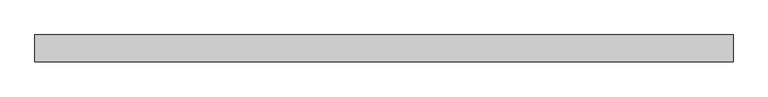
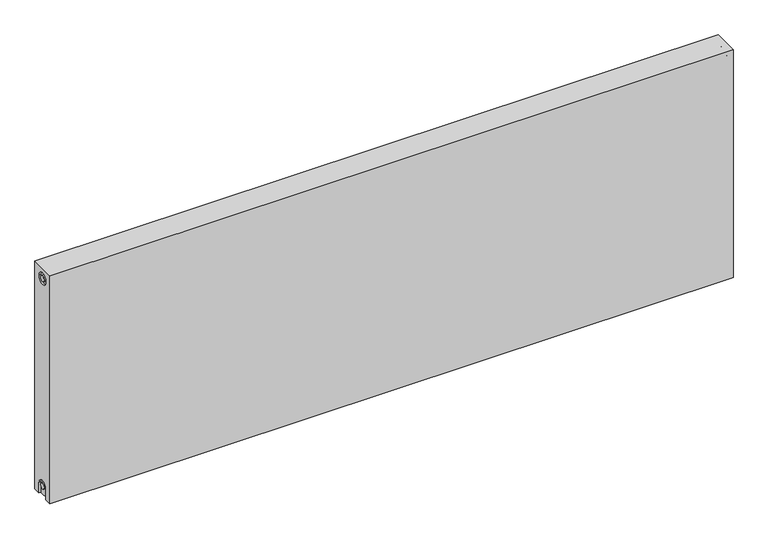
"""IFC4 building model written with IfcOpenShell, lengths in millimetres: proxy geometry."""

from ifc_helpers import new_model, si_unit, frame, origin, place, context, project, spatial, polyline, circle_curve, source, transform, mapped, element, save
from ifc_brep_helpers import plane_surface, cylinder_surface, revolved_surface, advanced_brep


def mechanical_equipment_97d7b4c4(model_context):
    return source(origin(), model_context, "Body", "AdvancedBrep", [
        advanced_brep(
        [(1700.0, 32.5, 600.0), (1700.0, 32.5, 0.0), (0.0, 32.5, 0.0), (0.0, 32.5, 600.0), (1700.0, -32.5, 600.0), (0.0, -32.5, 600.0), (0.0, -32.5, 0.0), (1700.0, -32.5, 0.0), (1700.0, -14.65, 0.0), (1700.0, -14.65, 27.0), (1700.0, 15.35, 27.0), (1700.0, 15.35, 0.0), (1700.0, 14.7242393, 573.0), (1700.0, -15.2757607, 573.0), (1700.0, -7.5, 27.0), (1700.0, 7.5, 27.0), (1700.0, 7.2242393, 573.0), (1700.0, -7.7757607, 573.0), (1695.0, 15.35, 0.0), (1695.0, -14.65, 0.0), (0.0, -15.0, 0.0), (5.0, -15.0, 0.0), (5.0, 15.0, 0.0), (0.0, 15.0, 0.0), (0.0, 15.0, 27.0), (0.0, -15.0, 27.0), (0.0, -15.2757607, 573.0), (0.0, 14.7242393, 573.0), (0.0, -7.7757607, 573.0), (0.0, 7.2242393, 573.0), (0.0, 7.5682726, 27.0), (0.0, -7.4317274, 27.0), (5.0, -15.2757607, 573.0), (5.0, 14.7242393, 573.0), (5.0, -7.7757607, 573.0), (5.0, 7.2242393, 573.0), (5.0, -15.0, 27.0), (5.0, 15.0, 27.0), (5.0, -7.4317274, 27.0), (5.0, 7.5682726, 27.0), (1695.0, 15.35, 27.0), (1695.0, -14.65, 27.0), (1695.0, -7.5, 27.0), (1695.0, 7.5, 27.0), (1695.0, -15.2757607, 573.0), (1695.0, 14.7242393, 573.0), (1695.0, -7.7757607, 573.0), (1695.0, 7.2242393, 573.0)],
        [
            (0, 1),
            (1, 2),
            (2, 3),
            (3, 0),
            (4, 5),
            (5, 6),
            (6, 7),
            (7, 4),
            (0, 4),
            (7, 8),
            (8, 9),
            (9, 10, circle_curve(frame((1700.0, 0.35, 27.0), z_axis=(-1.0, 0.0, 0.0), x_axis=(0.0, 1.0, 0.0)), 15.0)),
            (10, 11),
            (11, 1),
            (12, 13, circle_curve(frame((1700.0, -0.2757607, 573.0), z_axis=(-1.0, 0.0, 0.0), x_axis=(0.0, 1.0, 0.0)), 15.0)),
            (13, 12, circle_curve(frame((1700.0, -0.2757607, 573.0), z_axis=(-1.0, 0.0, 0.0), x_axis=(0.0, 1.0, 0.0)), 15.0)),
            (14, 15, circle_curve(frame((1700.0, 0.0, 27.0), z_axis=(1.0, 0.0, 0.0), x_axis=(0.0, 1.0, 0.0)), 7.5)),
            (15, 14, circle_curve(frame((1700.0, 0.0, 27.0), z_axis=(1.0, 0.0, 0.0), x_axis=(0.0, 1.0, 0.0)), 7.5)),
            (16, 17, circle_curve(frame((1700.0, -0.2757607, 573.0), z_axis=(1.0, 0.0, 0.0), x_axis=(0.0, 1.0, 0.0)), 7.5)),
            (17, 16, circle_curve(frame((1700.0, -0.2757607, 573.0), z_axis=(1.0, 0.0, 0.0), x_axis=(0.0, 1.0, 0.0)), 7.5)),
            (11, 18),
            (18, 19),
            (19, 8),
            (6, 20),
            (20, 21),
            (21, 22),
            (22, 23),
            (23, 2),
            (23, 24),
            (24, 25, circle_curve(frame((0.0, 0.0, 27.0), z_axis=(1.0, 0.0, 0.0), x_axis=(0.0, 1.0, 0.0)), 15.0)),
            (25, 20),
            (5, 3),
            (26, 27, circle_curve(frame((0.0, -0.2757607, 573.0), z_axis=(1.0, 0.0, 0.0), x_axis=(0.0, 1.0, 0.0)), 15.0)),
            (27, 26, circle_curve(frame((0.0, -0.2757607, 573.0), z_axis=(1.0, 0.0, 0.0), x_axis=(0.0, 1.0, 0.0)), 15.0)),
            (28, 29, circle_curve(frame((0.0, -0.2757607, 573.0), z_axis=(-1.0, 0.0, 0.0), x_axis=(0.0, 1.0, 0.0)), 7.5)),
            (29, 28, circle_curve(frame((0.0, -0.2757607, 573.0), z_axis=(-1.0, 0.0, 0.0), x_axis=(0.0, 1.0, 0.0)), 7.5)),
            (30, 31, circle_curve(frame((0.0, 0.0682726, 27.0), z_axis=(-1.0, 0.0, 0.0), x_axis=(0.0, 1.0, 0.0)), 7.5)),
            (31, 30, circle_curve(frame((0.0, 0.0682726, 27.0), z_axis=(-1.0, 0.0, 0.0), x_axis=(0.0, 1.0, 0.0)), 7.5)),
            (32, 33, circle_curve(frame((5.0, -0.2757607, 573.0), z_axis=(-1.0, 0.0, 0.0), x_axis=(0.0, 1.0, 0.0)), 15.0)),
            (33, 32, circle_curve(frame((5.0, -0.2757607, 573.0), z_axis=(-1.0, 0.0, 0.0), x_axis=(0.0, 1.0, 0.0)), 15.0)),
            (34, 35, circle_curve(frame((5.0, -0.2757607, 573.0), z_axis=(1.0, 0.0, 0.0), x_axis=(0.0, 1.0, 0.0)), 7.5)),
            (35, 34, circle_curve(frame((5.0, -0.2757607, 573.0), z_axis=(1.0, 0.0, 0.0), x_axis=(0.0, 1.0, 0.0)), 7.5)),
            (33, 27),
            (26, 32),
            (35, 29),
            (28, 34),
            (21, 36),
            (36, 37, circle_curve(frame((5.0, 0.0, 27.0), z_axis=(-1.0, 0.0, 0.0), x_axis=(0.0, 1.0, 0.0)), 15.0)),
            (37, 22),
            (38, 39, circle_curve(frame((5.0, 0.0682726, 27.0), z_axis=(1.0, 0.0, 0.0), x_axis=(0.0, 1.0, 0.0)), 7.5)),
            (39, 38, circle_curve(frame((5.0, 0.0682726, 27.0), z_axis=(1.0, 0.0, 0.0), x_axis=(0.0, 1.0, 0.0)), 7.5)),
            (38, 31),
            (30, 39),
            (37, 24),
            (36, 25),
            (18, 40),
            (40, 41, circle_curve(frame((1695.0, 0.35, 27.0), z_axis=(1.0, 0.0, 0.0), x_axis=(0.0, 1.0, 0.0)), 15.0)),
            (41, 19),
            (42, 43, circle_curve(frame((1695.0, 0.0, 27.0), z_axis=(-1.0, 0.0, 0.0), x_axis=(0.0, 1.0, 0.0)), 7.5)),
            (43, 42, circle_curve(frame((1695.0, 0.0, 27.0), z_axis=(-1.0, 0.0, 0.0), x_axis=(0.0, 1.0, 0.0)), 7.5)),
            (43, 15),
            (14, 42),
            (10, 40),
            (9, 41),
            (44, 45, circle_curve(frame((1695.0, -0.2757607, 573.0), z_axis=(1.0, 0.0, 0.0), x_axis=(0.0, 1.0, 0.0)), 15.0)),
            (45, 44, circle_curve(frame((1695.0, -0.2757607, 573.0), z_axis=(1.0, 0.0, 0.0), x_axis=(0.0, 1.0, 0.0)), 15.0)),
            (46, 47, circle_curve(frame((1695.0, -0.2757607, 573.0), z_axis=(-1.0, 0.0, 0.0), x_axis=(0.0, 1.0, 0.0)), 7.5)),
            (47, 46, circle_curve(frame((1695.0, -0.2757607, 573.0), z_axis=(-1.0, 0.0, 0.0), x_axis=(0.0, 1.0, 0.0)), 7.5)),
            (44, 13),
            (12, 45),
            (46, 17),
            (16, 47),
        ],
        [
            plane_surface(frame((1700.0, 32.5, 600.0), z_axis=(0.0, 1.0, 0.0), x_axis=(0.0, 0.0, -1.0))),
            plane_surface(frame((1700.0, -32.5, 600.0), z_axis=(0.0, -1.0, 0.0), x_axis=(0.0, 0.0, 1.0))),
            plane_surface(frame((1700.0, 32.5, 600.0), z_axis=(1.0, 0.0, 0.0), x_axis=(0.0, -1.0, 0.0))),
            plane_surface(frame((1700.0, 32.5, 0.0), z_axis=(0.0, 0.0, -1.0), x_axis=(0.0, -1.0, 0.0))),
            plane_surface(frame((0.0, 32.5, 0.0), z_axis=(-1.0, 0.0, 0.0), x_axis=(0.0, -1.0, 0.0))),
            plane_surface(frame((0.0, 32.5, 600.0), z_axis=(0.0, 0.0, 1.0), x_axis=(0.0, -1.0, 0.0))),
            plane_surface(frame((5.0, 14.7242393, 573.0), z_axis=(-1.0, 0.0, 0.0), x_axis=(0.0, 0.0, 1.0))),
            revolved_surface(polyline([(5.0, 14.7242393, 573.0), (0.0, 14.7242393, 573.0)]), (0.0, -0.2757607, 573.0), (1.0, 0.0, 0.0)),
            cylinder_surface(frame((0.0, -0.2757607, 573.0), z_axis=(-1.0, 0.0, 0.0), x_axis=(0.0, 1.0, 0.0)), 7.5),
            plane_surface(frame((5.0, 7.5682726, 27.0), z_axis=(-1.0, 0.0, 0.0), x_axis=(0.0, 0.0, -1.0))),
            cylinder_surface(frame((0.0, 0.0682726, 27.0), z_axis=(-1.0, 0.0, 0.0), x_axis=(0.0, 1.0, 0.0)), 7.5),
            plane_surface(frame((5.0, 15.0, 0.0), z_axis=(0.0, -1.0, 0.0), x_axis=(-1.0, 0.0, 0.0))),
            revolved_surface(polyline([(5.0, 15.0, 27.0), (0.0, 15.0, 27.0)]), (0.0, 0.0, 27.0), (1.0, 0.0, 0.0)),
            plane_surface(frame((5.0, -15.0, 27.0), z_axis=(0.0, 1.0, 0.0), x_axis=(-1.0, 0.0, 0.0))),
            plane_surface(frame((1695.0, 7.5, 27.0), z_axis=(1.0, 0.0, 0.0), x_axis=(0.0, 0.0, 1.0))),
            cylinder_surface(frame((1695.0, 0.0, 27.0), z_axis=(-1.0, 0.0, 0.0), x_axis=(0.0, 1.0, 0.0)), 7.5),
            plane_surface(frame((1700.0, 15.35, 0.0), z_axis=(0.0, -1.0, 0.0), x_axis=(-1.0, 0.0, 0.0))),
            revolved_surface(polyline([(1700.0, 15.35, 27.0), (1695.0, 15.35, 27.0)]), (895.0, 0.35, 27.0), (1.0, 0.0, 0.0)),
            plane_surface(frame((1700.0, -14.65, 27.0), z_axis=(0.0, 1.0, 0.0), x_axis=(-1.0, 0.0, 0.0))),
            plane_surface(frame((1695.0, 14.7242393, 573.0), z_axis=(1.0, 0.0, 0.0), x_axis=(0.0, 0.0, -1.0))),
            revolved_surface(polyline([(1700.0, 14.7242393, 573.0), (1695.0, 14.7242393, 573.0)]), (1695.0, -0.2757607, 573.0), (1.0, 0.0, 0.0)),
            cylinder_surface(frame((895.0, -0.2757607, 573.0), z_axis=(-1.0, 0.0, 0.0), x_axis=(0.0, 1.0, 0.0)), 7.5),
        ],
        [
            (0, [[1, 2, 3, 4]]),
            (1, [[5, 6, 7, 8]]),
            (2, [[-1, 9, -8, 10, 11, 12, 13, 14], [15, 16]]),
            (2, [[17, 18]]),
            (2, [[19, 20]]),
            (3, [[-2, -14, 21, 22, 23, -10, -7, 24, 25, 26, 27, 28]]),
            (4, [[-3, -28, 29, 30, 31, -24, -6, 32], [33, 34]]),
            (4, [[35, 36]]),
            (4, [[37, 38]]),
            (5, [[-4, -32, -5, -9]]),
            (6, [[39, 40], [41, 42]]),
            (7, [[-40, 43, -33, 44]]),
            (7, [[-39, -44, -34, -43]]),
            (8, [[-42, 45, -35, 46]]),
            (8, [[-41, -46, -36, -45]]),
            (9, [[47, 48, 49, -26], [50, 51]]),
            (10, [[-50, 52, -37, 53]]),
            (10, [[-51, -53, -38, -52]]),
            (11, [[-49, 54, -29, -27]]),
            (12, [[-48, 55, -30, -54]]),
            (13, [[-47, -25, -31, -55]]),
            (14, [[56, 57, 58, -22], [59, 60]]),
            (15, [[-60, 61, -17, 62]]),
            (15, [[-59, -62, -18, -61]]),
            (16, [[-56, -21, -13, 63]]),
            (17, [[-57, -63, -12, 64]]),
            (18, [[-58, -64, -11, -23]]),
            (19, [[65, 66], [67, 68]]),
            (20, [[-65, 69, -15, 70]]),
            (20, [[-66, -70, -16, -69]]),
            (21, [[-67, 71, -19, 72]]),
            (21, [[-68, -72, -20, -71]]),
        ],
    ),
    ])


if __name__ == "__main__":
    model = new_model("IFC4")
    model_context = context("Model", 3, world=origin())
    ifc_project = project(units=[si_unit("LENGTHUNIT", "METRE", prefix="MILLI")], contexts=[model_context])
    site = spatial("IfcSite", under=ifc_project)
    building = spatial("IfcBuilding", under=site)
    placement = place(None, origin())
    mechanical_equipment_shape = mechanical_equipment_97d7b4c4(model_context)
    element("IfcBuildingElementProxy", 1, Name="Mechanical Equipment", at=placement, inside=building, context=model_context, shape_type="MappedRepresentation", body=[
        mapped(mechanical_equipment_shape, transform((0.0, 0.0, 0.0), x_axis=(1.0, 0.0, 0.0), y_axis=(0.0, 1.0, 0.0), z_axis=(0.0, 0.0, 1.0))),
    ])
    save(model, "model.ifc")
